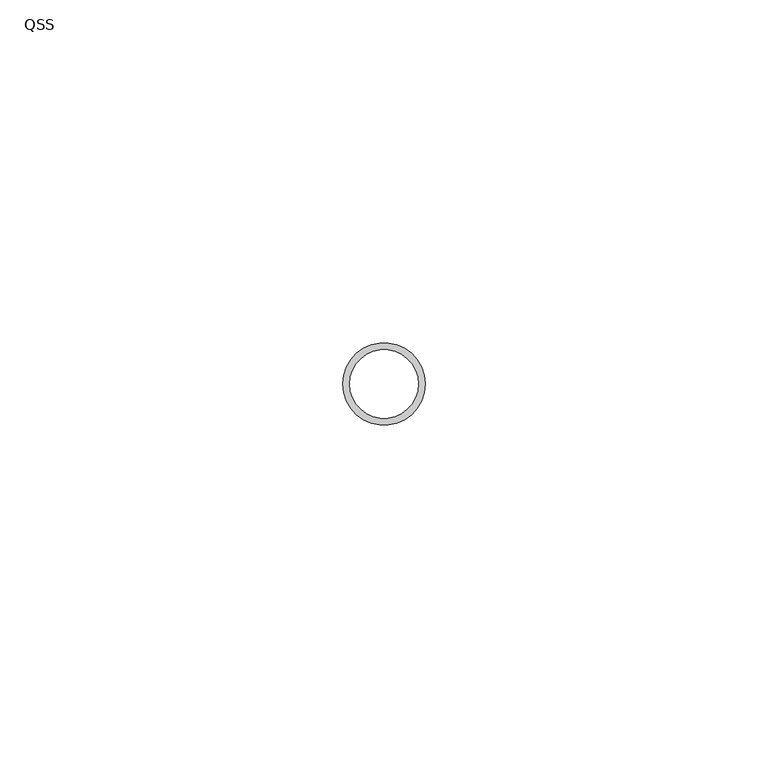
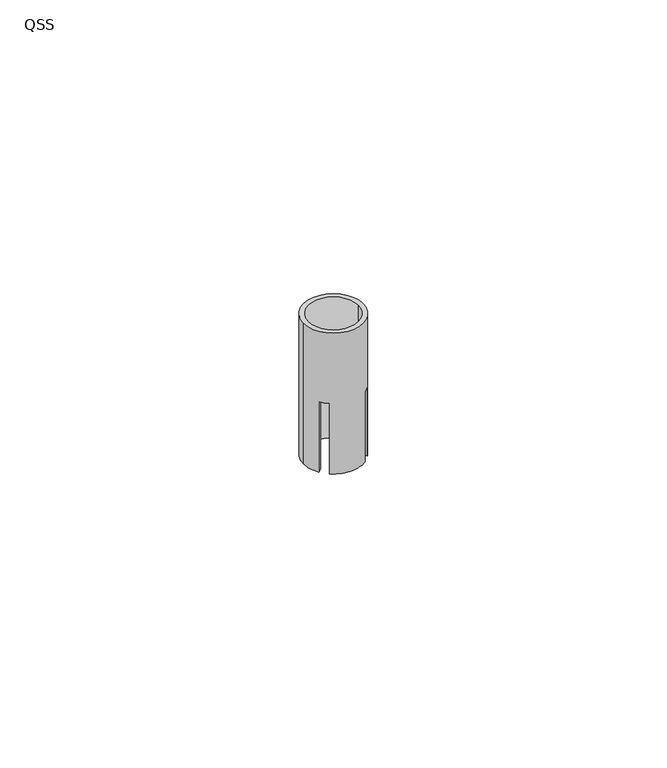
"""IFC4 building model written with IfcOpenShell, lengths in millimetres: proxy geometry, QSS."""

from ifc_helpers import new_model, si_unit, frame, origin, origin_with_axes, place, context, project, spatial, polyline, circle_curve, source, transform, mapped, element, save
from ifc_brep_helpers import plane_surface, cylinder_surface, revolved_surface, advanced_brep


def qss_a533bde5(model_context):
    return source(origin(), model_context, "Body", "AdvancedBrep", [
        advanced_brep(
        [(-6.0, 0.0, 30.0), (6.0, 0.0, 30.0), (-5.0, 0.0, 30.0), (5.0, 0.0, 30.0), (4.9184406, 3.4364142, 0.0), (6.0, 0.0, 0.0), (4.9184406, -3.4364142, 0.0), (4.1980205, -2.7159941, 0.0), (5.0, 0.0, 0.0), (4.1980205, 2.7159941, 0.0), (-6.0, 0.0, 0.0), (-4.9184406, 3.4364142, 0.0), (-4.1980205, 2.7159941, 0.0), (-5.0, 0.0, 0.0), (-4.1980205, -2.7159941, 0.0), (-4.9184406, -3.4364142, 0.0), (-3.5317758, 4.8504185, 0.0), (3.5317758, 4.8504185, 0.0), (2.814192, 4.1328348, 0.0), (-2.814192, 4.1328348, 0.0), (3.5317758, -4.8504185, 0.0), (-3.5317758, -4.8504185, 0.0), (-2.814192, -4.1328348, 0.0), (2.814192, -4.1328348, 0.0), (-4.9184406, -3.4364142, 15.0), (-3.5317758, -4.8504185, 15.0), (3.5317758, -4.8504185, 15.0), (4.9184406, -3.4364142, 15.0), (4.9184406, 3.4364142, 15.0), (3.5317758, 4.8504185, 15.0), (-3.5317758, 4.8504185, 15.0), (-4.9184406, 3.4364142, 15.0), (-4.1980205, 2.7159941, 15.0), (-2.814192, 4.1328348, 15.0), (2.814192, 4.1328348, 15.0), (4.1980205, 2.7159941, 15.0), (4.1980205, -2.7159941, 15.0), (2.814192, -4.1328348, 15.0), (-2.814192, -4.1328348, 15.0), (-4.1980205, -2.7159941, 15.0)],
        [
            (0, 1, circle_curve(frame((0.0, 0.0, 30.0), z_axis=(0.0, 0.0, 1.0), x_axis=(1.0, 0.0, 0.0)), 6.0)),
            (1, 0, circle_curve(frame((0.0, 0.0, 30.0), z_axis=(0.0, 0.0, 1.0), x_axis=(1.0, 0.0, 0.0)), 6.0)),
            (2, 3, circle_curve(frame((0.0, 0.0, 30.0), z_axis=(0.0, 0.0, -1.0), x_axis=(1.0, 0.0, 0.0)), 5.0)),
            (3, 2, circle_curve(frame((0.0, 0.0, 30.0), z_axis=(0.0, 0.0, -1.0), x_axis=(1.0, 0.0, 0.0)), 5.0)),
            (4, 5, circle_curve(frame((0.0, 0.0, 0.0), z_axis=(0.0, 0.0, -1.0), x_axis=(1.0, 0.0, 0.0)), 6.0)),
            (5, 6, circle_curve(frame((0.0, 0.0, 0.0), z_axis=(0.0, 0.0, -1.0), x_axis=(1.0, 0.0, 0.0)), 6.0)),
            (6, 7),
            (7, 8, circle_curve(origin_with_axes(), 5.0)),
            (8, 9, circle_curve(origin_with_axes(), 5.0)),
            (9, 4),
            (10, 11, circle_curve(frame((0.0, 0.0, 0.0), z_axis=(0.0, 0.0, -1.0), x_axis=(1.0, 0.0, 0.0)), 6.0)),
            (11, 12),
            (12, 13, circle_curve(origin_with_axes(), 5.0)),
            (13, 14, circle_curve(origin_with_axes(), 5.0)),
            (14, 15),
            (15, 10, circle_curve(frame((0.0, 0.0, 0.0), z_axis=(0.0, 0.0, -1.0), x_axis=(1.0, 0.0, 0.0)), 6.0)),
            (16, 17, circle_curve(frame((0.0, 0.0, 0.0), z_axis=(0.0, 0.0, -1.0), x_axis=(1.0, 0.0, 0.0)), 6.0)),
            (17, 18),
            (18, 19, circle_curve(origin_with_axes(), 5.0)),
            (19, 16),
            (20, 21, circle_curve(frame((0.0, 0.0, 0.0), z_axis=(0.0, 0.0, -1.0), x_axis=(1.0, 0.0, 0.0)), 6.0)),
            (21, 22),
            (22, 23, circle_curve(origin_with_axes(), 5.0)),
            (23, 20),
            (0, 10),
            (15, 24),
            (24, 25, circle_curve(frame((0.0, 0.0, 15.0), z_axis=(0.0, 0.0, 1.0), x_axis=(1.0, 0.0, 0.0)), 6.0)),
            (25, 21),
            (20, 26),
            (26, 27, circle_curve(frame((0.0, 0.0, 15.0), z_axis=(0.0, 0.0, 1.0), x_axis=(1.0, 0.0, 0.0)), 6.0)),
            (27, 6),
            (5, 1),
            (4, 28),
            (28, 29, circle_curve(frame((0.0, 0.0, 15.0), z_axis=(0.0, 0.0, 1.0), x_axis=(1.0, 0.0, 0.0)), 6.0)),
            (29, 17),
            (16, 30),
            (30, 31, circle_curve(frame((0.0, 0.0, 15.0), z_axis=(0.0, 0.0, 1.0), x_axis=(1.0, 0.0, 0.0)), 6.0)),
            (31, 11),
            (2, 13),
            (12, 32),
            (32, 33, circle_curve(frame((0.0, 0.0, 15.0), z_axis=(0.0, 0.0, -1.0), x_axis=(1.0, 0.0, 0.0)), 5.0)),
            (33, 19),
            (18, 34),
            (34, 35, circle_curve(frame((0.0, 0.0, 15.0), z_axis=(0.0, 0.0, -1.0), x_axis=(1.0, 0.0, 0.0)), 5.0)),
            (35, 9),
            (8, 3),
            (7, 36),
            (36, 37, circle_curve(frame((0.0, 0.0, 15.0), z_axis=(0.0, 0.0, -1.0), x_axis=(1.0, 0.0, 0.0)), 5.0)),
            (37, 23),
            (22, 38),
            (38, 39, circle_curve(frame((0.0, 0.0, 15.0), z_axis=(0.0, 0.0, -1.0), x_axis=(1.0, 0.0, 0.0)), 5.0)),
            (39, 14),
            (28, 35),
            (34, 29),
            (30, 33),
            (32, 31),
            (26, 37),
            (36, 27),
            (24, 39),
            (38, 25),
        ],
        [
            plane_surface(frame((6.0, 0.0, 30.0), z_axis=(0.0, 0.0, 1.0), x_axis=(0.0, 1.0, 0.0))),
            plane_surface(frame((6.0, 0.0, 0.0), z_axis=(0.0, 0.0, -1.0), x_axis=(0.0, -1.0, 0.0))),
            cylinder_surface(origin_with_axes(), 6.0),
            revolved_surface(polyline([(5.0, 0.0, 0.0), (5.0, 0.0, 30.0)]), (0.0, 0.0, 0.0), (0.0, 0.0, -1.0)),
            plane_surface(frame((6.5079835, 6.5079835, 15.0), z_axis=(0.0, 0.0, -1.0000000000000002), x_axis=(-0.7071067811865468, 0.7071067811865483, 0.0))),
            plane_surface(frame((5.8486622, 7.1673049, 15.0), z_axis=(0.7071067811865471, -0.707106781186548, 0.0), x_axis=(0.0, 0.0, -1.0))),
            plane_surface(frame((2.2746594, 0.792633, 15.0), z_axis=(-0.707106781186547, 0.707106781186548, 0.0), x_axis=(0.0, 0.0, -1.0))),
            plane_surface(frame((-7.2489967, 5.7669703, 15.0), z_axis=(0.707106781186547, 0.7071067811865481, 0.0), x_axis=(0.0, 0.0, -1.0))),
            plane_surface(frame((-0.8743249, 2.1929676, 15.0), z_axis=(-0.7071067811865471, -0.707106781186548, 0.0), x_axis=(0.0, 0.0, -1.0))),
            plane_surface(frame((7.2489967, -5.7669703, 15.0), z_axis=(-0.707106781186547, -0.7071067811865481, 0.0), x_axis=(0.0, 0.0, -1.0))),
            plane_surface(frame((0.8743249, -2.1929676, 15.0), z_axis=(0.7071067811865471, 0.707106781186548, 0.0), x_axis=(0.0, 0.0, -1.0))),
            plane_surface(frame((-5.8486622, -7.1673049, 15.0), z_axis=(-0.7071067811865471, 0.707106781186548, 0.0), x_axis=(0.0, 0.0, -1.0))),
            plane_surface(frame((-2.2746594, -0.792633, 15.0), z_axis=(0.707106781186547, -0.7071067811865481, 0.0), x_axis=(0.0, 0.0, -1.0))),
        ],
        [
            (0, [[1, 2], [3, 4]]),
            (1, [[5, 6, 7, 8, 9, 10]]),
            (1, [[11, 12, 13, 14, 15, 16]]),
            (1, [[17, 18, 19, 20]]),
            (1, [[21, 22, 23, 24]]),
            (2, [[-1, 25, -16, 26, 27, 28, -21, 29, 30, 31, -6, 32]]),
            (2, [[-2, -32, -5, 33, 34, 35, -17, 36, 37, 38, -11, -25]]),
            (3, [[-3, 39, -13, 40, 41, 42, -19, 43, 44, 45, -9, 46]]),
            (3, [[-4, -46, -8, 47, 48, 49, -23, 50, 51, 52, -14, -39]]),
            (4, [[53, -44, 54, -34]]),
            (4, [[55, -41, 56, -37]]),
            (4, [[57, -48, 58, -30]]),
            (4, [[59, -51, 60, -27]]),
            (5, [[-54, -43, -18, -35]]),
            (6, [[-53, -33, -10, -45]]),
            (7, [[-56, -40, -12, -38]]),
            (8, [[-55, -36, -20, -42]]),
            (9, [[-58, -47, -7, -31]]),
            (10, [[-57, -29, -24, -49]]),
            (11, [[-60, -50, -22, -28]]),
            (12, [[-59, -26, -15, -52]]),
        ],
    ),
    ])


if __name__ == "__main__":
    model = new_model("IFC4")
    model_context = context("Model", 3, world=origin())
    ifc_project = project(units=[si_unit("LENGTHUNIT", "METRE", prefix="MILLI")], contexts=[model_context])
    site = spatial("IfcSite", under=ifc_project)
    building = spatial("IfcBuilding", under=site)
    placement = place(None, origin())
    qss_shape = qss_a533bde5(model_context)
    element("IfcBuildingElementProxy", 1, Name="QSS", ObjectType="QSS", at=placement, inside=building, context=model_context, shape_type="MappedRepresentation", body=[
        mapped(qss_shape, transform((0.0, 0.0, 0.0), x_axis=(1.0, 0.0, 0.0), y_axis=(0.0, 1.0, 0.0), z_axis=(0.0, 0.0, 1.0))),
    ])
    save(model, "model.ifc")
